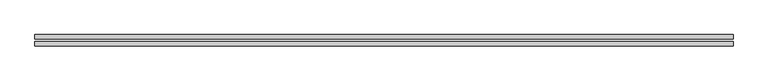
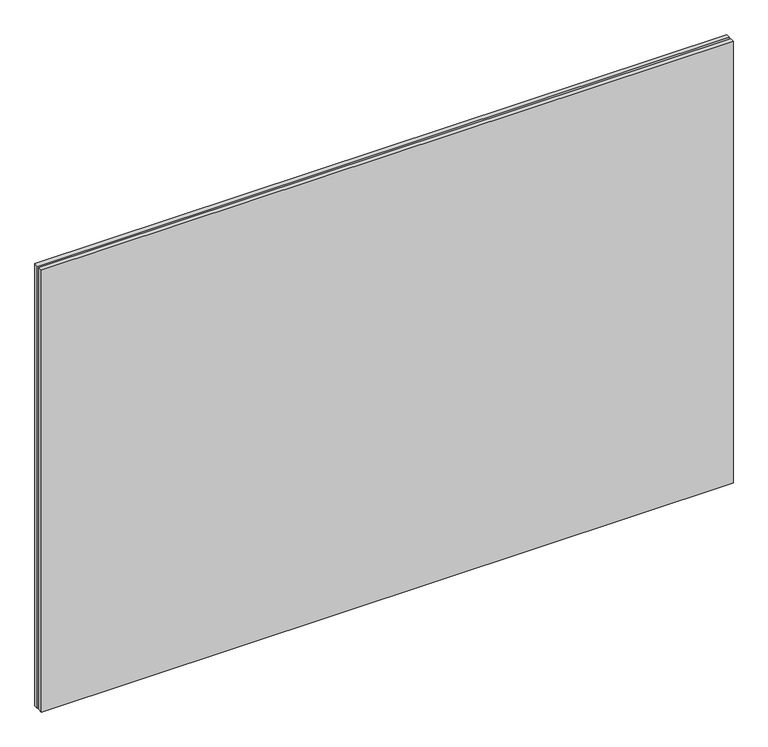
"""IFC4 building model written with IfcOpenShell, lengths in millimetres: plate geometry."""

from ifc_helpers import new_model, si_unit, origin, origin_with_axes, place, context, project, spatial, polyline, outline, extrude, source, transform, mapped, element, save


def plate_a3febd76(model_context):
    return source(origin(), model_context, "Body", "SweptSolid", [
        extrude(outline(polyline([(616.6, -2.0), (616.6, -10.0), (-616.6, -10.0), (-616.6, -2.0), (616.6, -2.0)])), origin_with_axes(), (0.0, 0.0, 1.0), 833.3),
        extrude(outline(polyline([(616.6, 2.0), (-616.6, 2.0), (-616.6, 10.0), (616.6, 10.0), (616.6, 2.0)])), origin_with_axes(), (0.0, 0.0, 1.0), 833.3),
    ])


if __name__ == "__main__":
    model = new_model("IFC4")
    model_context = context("Model", 3, world=origin())
    ifc_project = project(units=[si_unit("LENGTHUNIT", "METRE", prefix="MILLI")], contexts=[model_context])
    site = spatial("IfcSite", under=ifc_project)
    building = spatial("IfcBuilding", under=site)
    placement = place(None, origin())
    plate_shape = plate_a3febd76(model_context)
    element("IfcPlate", 1, at=placement, inside=building, context=model_context, shape_type="MappedRepresentation", body=[
        mapped(plate_shape, transform((0.0, 0.0, 0.0), x_axis=(1.0, 0.0, 0.0), y_axis=(0.0, 1.0, 0.0), z_axis=(0.0, 0.0, 1.0))),
    ])
    save(model, "model.ifc")
